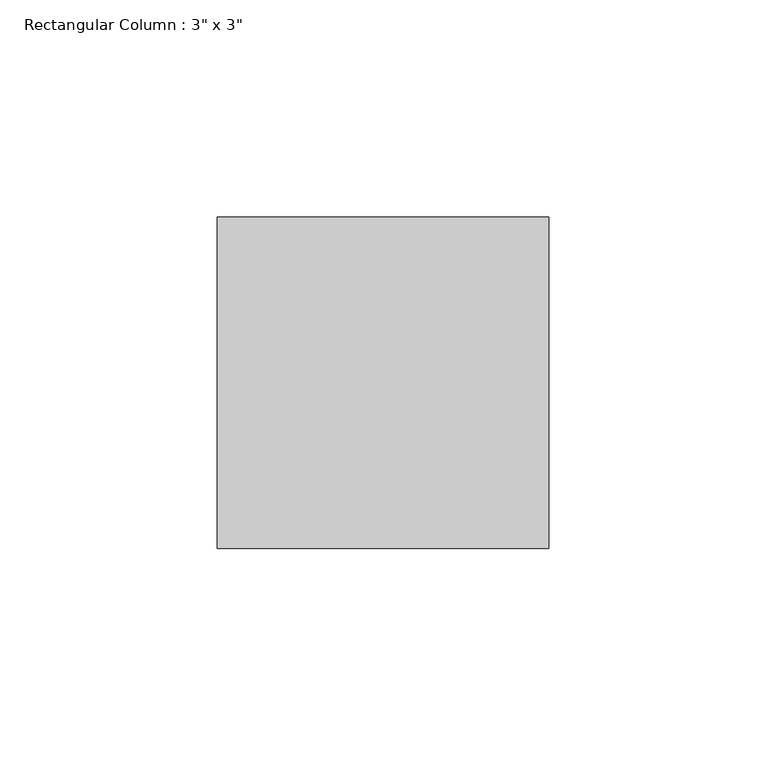
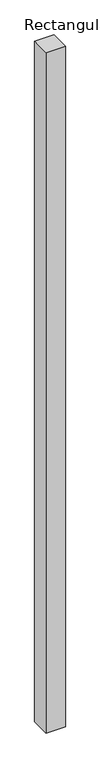
"""IFC4 building model written with IfcOpenShell, lengths in millimetres: column geometry."""

from ifc_helpers import new_model, si_unit, origin, origin_with_axes, place, context, project, spatial, polyline, outline, extrude, source, transform, mapped, element, save


def column_5820ca29(model_context):
    return source(origin(), model_context, "Body", "SweptSolid", [
        extrude(outline(polyline([(38.1, 38.1), (38.1, -38.1), (-38.1, -38.1), (-38.1, 38.1), (38.1, 38.1)])), origin_with_axes(), (0.0, 0.0, 1.0), 2819.4),
    ])


if __name__ == "__main__":
    model = new_model("IFC4")
    model_context = context("Model", 3, world=origin())
    ifc_project = project(units=[si_unit("LENGTHUNIT", "METRE", prefix="MILLI")], contexts=[model_context])
    site = spatial("IfcSite", under=ifc_project)
    building = spatial("IfcBuilding", under=site)
    placement = place(None, origin())
    column_shape = column_5820ca29(model_context)
    element("IfcColumn", 1, ObjectType="Rectangular Column : 3\" x 3\"", at=placement, inside=building, context=model_context, shape_type="MappedRepresentation", body=[
        mapped(column_shape, transform((0.0, 0.0, 0.0), x_axis=(1.0, 0.0, 0.0), y_axis=(0.0, 1.0, 0.0), z_axis=(0.0, 0.0, 1.0))),
    ])
    save(model, "model.ifc")
